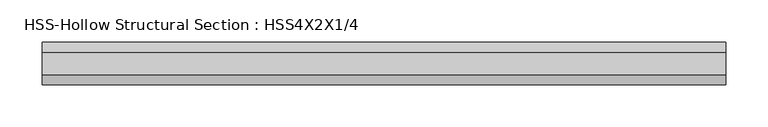
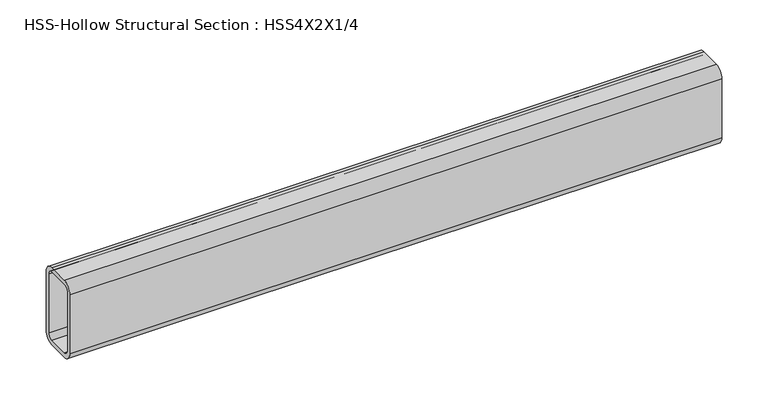
"""IFC4 building model written with IfcOpenShell, lengths in millimetres: beam geometry, HSS-Hollow Structural Section : HSS4X2X1/4."""

from ifc_helpers import new_model, si_unit, point, frame, frame_2d, origin, place, context, project, spatial, polyline, circle_curve, trimmed, segment, composite_curve, outline, extrude, source, transform, mapped, element, save


def hss_hollow_structural_section_hss4x2x1_4_d2f0abee(model_context):
    return source(origin(), model_context, "Body", "SweptSolid", [
        extrude(outline(composite_curve([segment(polyline([(25.4, 38.9636), (25.4, -38.9636)]), True, "CONTINUOUS"), segment(trimmed(circle_curve(frame_2d((13.5636, -38.9636)), 11.8364), [point((25.4, -38.9636))], [point((13.5636, -50.8))], False, "CARTESIAN"), True, "CONTINUOUS"), segment(polyline([(13.5636, -50.8), (-13.5636, -50.8)]), True, "CONTINUOUS"), segment(trimmed(circle_curve(frame_2d((-13.5636, -38.9636)), 11.8364), [point((-13.5636, -50.8))], [point((-25.4, -38.9636))], False, "CARTESIAN"), True, "CONTINUOUS"), segment(polyline([(-25.4, -38.9636), (-25.4, 38.9636)]), True, "CONTINUOUS"), segment(trimmed(circle_curve(frame_2d((-13.5636, 38.9636)), 11.8364), [point((-25.4, 38.9636))], [point((-13.5636, 50.8))], False, "CARTESIAN"), True, "CONTINUOUS"), segment(polyline([(-13.5636, 50.8), (13.5636, 50.8)]), True, "CONTINUOUS"), segment(trimmed(circle_curve(frame_2d((13.5636, 38.9636)), 11.8364), [point((13.5636, 50.8))], [point((25.4, 38.9636))], False, "CARTESIAN"), True, "CONTINUOUS")], self_intersect=False), holes=[composite_curve([segment(trimmed(circle_curve(frame_2d((-13.5636, 38.9636)), 5.9182), [point((-13.5636, 44.8818))], [point((-19.4818, 38.9636))], True, "CARTESIAN"), True, "CONTINUOUS"), segment(polyline([(-19.4818, 38.9636), (-19.4818, -38.9636)]), True, "CONTINUOUS"), segment(trimmed(circle_curve(frame_2d((-13.5636, -38.9636)), 5.9182), [point((-19.4818, -38.9636))], [point((-13.5636, -44.8818))], True, "CARTESIAN"), True, "CONTINUOUS"), segment(polyline([(-13.5636, -44.8818), (13.5636, -44.8818)]), True, "CONTINUOUS"), segment(trimmed(circle_curve(frame_2d((13.5636, -38.9636)), 5.9182), [point((13.5636, -44.8818))], [point((19.4818, -38.9636))], True, "CARTESIAN"), True, "CONTINUOUS"), segment(polyline([(19.4818, -38.9636), (19.4818, 38.9636)]), True, "CONTINUOUS"), segment(trimmed(circle_curve(frame_2d((13.5636, 38.9636)), 5.9182), [point((19.4818, 38.9636))], [point((13.5636, 44.8818))], True, "CARTESIAN"), True, "CONTINUOUS"), segment(polyline([(13.5636, 44.8818), (-13.5636, 44.8818)]), True, "CONTINUOUS")], self_intersect=False)]), frame((-406.4, 0.0, 0.0), z_axis=(1.0, 0.0, 0.0), x_axis=(0.0, 1.0, 0.0)), (0.0, 0.0, 1.0), 812.8),
    ])


if __name__ == "__main__":
    model = new_model("IFC4")
    model_context = context("Model", 3, world=origin())
    ifc_project = project(units=[si_unit("LENGTHUNIT", "METRE", prefix="MILLI")], contexts=[model_context])
    site = spatial("IfcSite", under=ifc_project)
    building = spatial("IfcBuilding", under=site)
    placement = place(None, origin())
    hss_hollow_structural_section_hss4x2x1_4_shape = hss_hollow_structural_section_hss4x2x1_4_d2f0abee(model_context)
    element("IfcBeam", 1, ObjectType="HSS-Hollow Structural Section : HSS4X2X1/4", at=placement, inside=building, context=model_context, shape_type="MappedRepresentation", body=[
        mapped(hss_hollow_structural_section_hss4x2x1_4_shape, transform((0.0, 0.0, 0.0), x_axis=(1.0, 0.0, 0.0), y_axis=(0.0, 1.0, 0.0), z_axis=(0.0, 0.0, 1.0))),
    ])
    save(model, "model.ifc")
